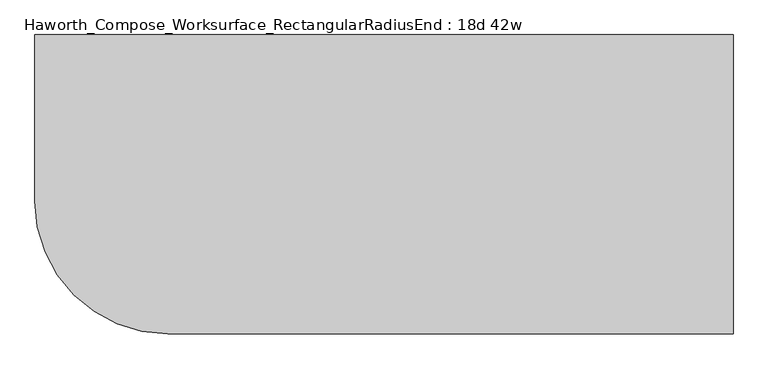
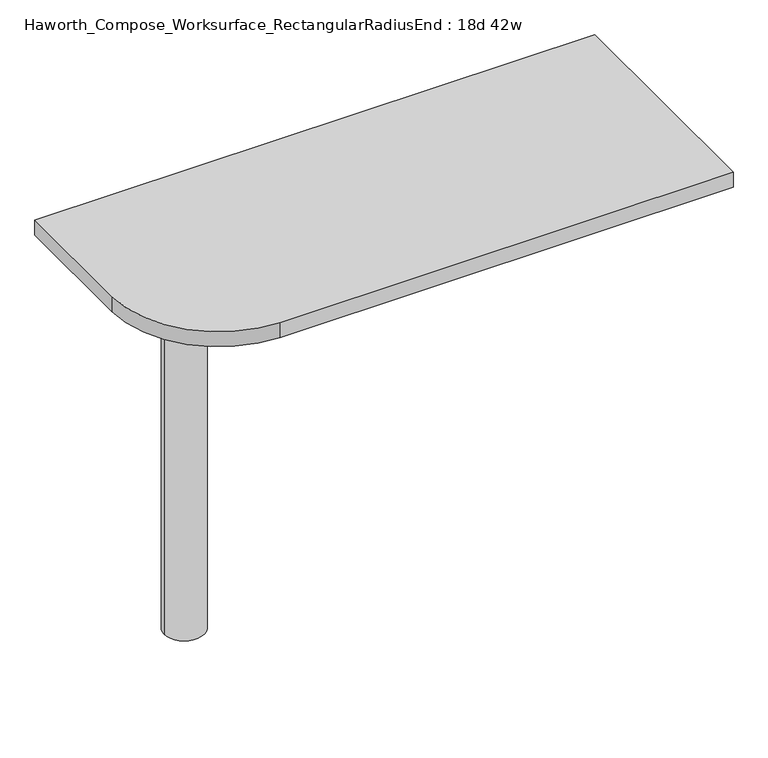
"""IFC4 building model written with IfcOpenShell, lengths in millimetres: furniture geometry, Haworth_Compose_Worksurface_RectangularRadiusEnd : 18d 42w."""

from ifc_helpers import new_model, si_unit, point, frame, frame_2d, origin, place, context, project, spatial, polyline, circle_curve, trimmed, segment, composite_curve, outline, extrude, source, transform, mapped, element, save
from ifc_brep_helpers import plane_surface, cylinder_surface, revolved_surface, advanced_brep


def haworth_compose_worksurface_rectangularradiusend_18d_42w_e1c40a76(model_context):
    return source(origin(), model_context, "Body", "SolidModel", [
        advanced_brep(
        [(527.84375, 228.6, 475.45625), (527.84375, 212.725, 475.45625), (527.84375, -177.8, 691.7192568), (527.84375, -177.8, 704.05625), (527.84375, 212.725, 704.05625), (527.84375, 228.6, 704.05625), (527.84375, 145.290072, 665.95625), (527.84375, 101.6355284, 665.95625), (527.84375, 98.9564235, 656.3705539), (527.84375, 190.6776173, 605.5776439), (527.84375, 200.025, 611.1756969), (527.84375, 200.025, 634.6860246), (527.84375, 198.2730055, 637.5242776), (527.84375, 148.3663437, 665.1613425), (530.225, 228.6, 475.45625), (530.225, 228.6, 704.05625), (530.225, 212.725, 704.05625), (530.225, 212.725, 706.4375), (530.225, -177.8, 706.4375), (530.225, -177.8, 691.7192568), (530.225, 212.725, 475.45625), (530.225, 145.290072, 665.95625), (530.225, 148.3663437, 665.1613425), (530.225, 198.2730055, 637.5242776), (530.225, 200.025, 634.6860246), (530.225, 200.025, 611.1756969), (530.225, 190.6776173, 605.5776439), (530.225, 98.9564235, 656.3705539), (530.225, 101.6355284, 665.95625), (488.95, -177.8, 706.4375), (488.95, -177.8, 704.05625), (488.95, 212.725, 704.05625), (488.95, 212.725, 706.4375)],
        [
            (0, 1),
            (1, 2),
            (2, 3),
            (3, 4),
            (4, 5),
            (5, 0),
            (6, 7),
            (7, 8, circle_curve(frame((527.84375, 101.6355284, 660.7890106), z_axis=(1.0, 0.0, 0.0), x_axis=(0.0, -1.0, 0.0)), 5.1672394)),
            (8, 9),
            (9, 10, circle_curve(frame((527.84375, 193.675, 611.1756969), z_axis=(1.0, 0.0, 0.0), x_axis=(0.0, -1.0, 0.0)), 6.35)),
            (10, 11),
            (11, 12, circle_curve(frame((527.84375, 196.85, 634.6860246), z_axis=(1.0, 0.0, 0.0), x_axis=(0.0, -1.0, 0.0)), 3.175)),
            (12, 13),
            (13, 6, circle_curve(frame((527.84375, 145.290072, 659.60625), z_axis=(1.0, 0.0, 0.0), x_axis=(0.0, -1.0, 0.0)), 6.35)),
            (14, 15),
            (15, 16),
            (16, 17),
            (17, 18),
            (18, 19),
            (19, 20),
            (20, 14),
            (21, 22, circle_curve(frame((530.225, 145.290072, 659.60625), z_axis=(-1.0, 0.0, 0.0), x_axis=(0.0, -1.0, 0.0)), 6.35)),
            (22, 23),
            (23, 24, circle_curve(frame((530.225, 196.85, 634.6860246), z_axis=(-1.0, 0.0, 0.0), x_axis=(0.0, -1.0, 0.0)), 3.175)),
            (24, 25),
            (25, 26, circle_curve(frame((530.225, 193.675, 611.1756969), z_axis=(-1.0, 0.0, 0.0), x_axis=(0.0, -1.0, 0.0)), 6.35)),
            (26, 27),
            (27, 28, circle_curve(frame((530.225, 101.6355284, 660.7890106), z_axis=(-1.0, 0.0, 0.0), x_axis=(0.0, -1.0, 0.0)), 5.1672394)),
            (28, 21),
            (4, 16),
            (15, 5),
            (14, 0),
            (20, 1),
            (19, 2),
            (18, 29),
            (29, 30),
            (30, 3),
            (6, 21),
            (28, 7),
            (9, 26),
            (25, 10),
            (24, 11),
            (23, 12),
            (27, 8),
            (31, 4),
            (30, 31),
            (32, 29),
            (17, 32),
            (31, 32),
            (22, 13),
        ],
        [
            plane_surface(frame((527.84375, 228.6, 475.45625), z_axis=(-1.0, 0.0, 0.0), x_axis=(0.0, 1.0, 0.0))),
            plane_surface(frame((530.225, 228.6, 475.45625), z_axis=(1.0, 0.0, 0.0), x_axis=(0.0, -1.0, 0.0))),
            plane_surface(frame((530.225, -177.8, 704.05625), z_axis=(0.0, 0.0, 1.0), x_axis=(-1.0, 0.0, 0.0))),
            plane_surface(frame((530.225, 228.6, 704.05625), z_axis=(0.0, 1.0, 0.0), x_axis=(-1.0, 0.0, 0.0))),
            plane_surface(frame((530.225, 228.6, 475.45625), z_axis=(0.0, 0.0, -1.0), x_axis=(-1.0, 0.0, 0.0))),
            plane_surface(frame((530.225, 212.725, 475.45625), z_axis=(0.0, -0.48445223513455843, -0.8748177135112952), x_axis=(-1.0, 0.0, 0.0))),
            plane_surface(frame((530.225, -177.8, 691.7192568), z_axis=(0.0, -1.0, 0.0), x_axis=(-1.0, 0.0, 0.0))),
            plane_surface(frame((530.225, 145.290072, 665.95625), z_axis=(0.0, 0.0, -1.0), x_axis=(-1.0, 0.0, 0.0))),
            revolved_surface(polyline([(527.84375, 187.32500000000002, 611.1756969), (530.225, 187.32500000000002, 611.1756969)]), (530.225, 193.675, 611.1756969), (-1.0, 0.0, 0.0)),
            plane_surface(frame((530.225, 200.025, 611.1756969), z_axis=(0.0, -1.0, 0.0), x_axis=(-1.0, 0.0, 0.0))),
            revolved_surface(polyline([(527.84375, 193.67499999999998, 634.6860246), (530.225, 193.67499999999998, 634.6860246)]), (530.225, 196.85, 634.6860246), (-1.0, 0.0, 0.0)),
            revolved_surface(polyline([(527.84375, 96.468289, 660.7890106), (530.225, 96.468289, 660.7890106)]), (530.225, 101.6355284, 660.7890106), (-1.0, 0.0, 0.0)),
            plane_surface(frame((530.225, 212.725, 704.05625), z_axis=(0.0, 0.0, -1.0), x_axis=(-1.0, 0.0, 0.0))),
            plane_surface(frame((530.225, 212.725, 706.4375), z_axis=(0.0, 0.0, 1.0), x_axis=(1.0, 0.0, 0.0))),
            plane_surface(frame((488.95, 212.725, 706.4375), z_axis=(0.0, 1.0, 0.0), x_axis=(0.0, 0.0, -1.0))),
            plane_surface(frame((488.95, -177.8, 706.4375), z_axis=(-1.0, 0.0, 0.0), x_axis=(0.0, 0.0, -1.0))),
            plane_surface(frame((530.225, 98.9564235, 656.3705539), z_axis=(0.0, 0.4844522351345583, 0.8748177135112953), x_axis=(-1.0, 0.0, 0.0))),
            plane_surface(frame((530.225, 198.2730055, 637.5242776), z_axis=(0.0, -0.4844522351345582, -0.8748177135112953), x_axis=(-1.0, 0.0, 0.0))),
            revolved_surface(polyline([(527.84375, 138.94007200000001, 659.60625), (530.225, 138.94007200000001, 659.60625)]), (530.225, 145.290072, 659.60625), (-1.0, 0.0, 0.0)),
        ],
        [
            (0, [[1, 2, 3, 4, 5, 6], [7, 8, 9, 10, 11, 12, 13, 14]]),
            (1, [[15, 16, 17, 18, 19, 20, 21], [22, 23, 24, 25, 26, 27, 28, 29]]),
            (2, [[-5, 30, -16, 31]]),
            (3, [[-31, -15, 32, -6]]),
            (4, [[-32, -21, 33, -1]]),
            (5, [[-33, -20, 34, -2]]),
            (6, [[-34, -19, 35, 36, 37, -3]]),
            (7, [[38, -29, 39, -7]]),
            (8, [[40, -26, 41, -10]]),
            (9, [[-41, -25, 42, -11]]),
            (10, [[-42, -24, 43, -12]]),
            (11, [[-39, -28, 44, -8]]),
            (12, [[45, -4, -37, 46]]),
            (13, [[47, -35, -18, 48]]),
            (14, [[-17, -30, -45, 49, -48]]),
            (15, [[-36, -47, -49, -46]]),
            (16, [[-44, -27, -40, -9]]),
            (17, [[-43, -23, 50, -13]]),
            (18, [[-50, -22, -38, -14]]),
        ],
    ),
        advanced_brep(
        [(-342.9, 0.0, 706.4375), (-419.1, 0.0, 706.4375), (-381.0, 0.0, 706.4375), (-342.9, 0.0, 0.0), (-419.1, 0.0, 0.0), (-381.0, 0.0, 0.0)],
        [
            (0, 1, circle_curve(frame((-381.0, 0.0, 706.4375), z_axis=(0.0, 0.0, 1.0), x_axis=(-1.0, 0.0, 0.0)), 38.1)),
            (1, 2),
            (2, 0),
            (1, 0, circle_curve(frame((-381.0, 0.0, 706.4375), z_axis=(0.0, 0.0, 1.0), x_axis=(-1.0, 0.0, 0.0)), 38.1)),
            (3, 4, circle_curve(frame((-381.0, 0.0, 0.0), z_axis=(0.0, 0.0, 1.0), x_axis=(-1.0, 0.0, 0.0)), 38.1)),
            (4, 1),
            (0, 3),
            (4, 3, circle_curve(frame((-381.0, 0.0, 0.0), z_axis=(0.0, 0.0, 1.0), x_axis=(-1.0, 0.0, 0.0)), 38.1)),
            (5, 4),
            (3, 5),
        ],
        [
            plane_surface(frame((-381.0, 0.0, 706.4375), z_axis=(0.0, 0.0, 1.0), x_axis=(-1.0, 0.0, 0.0))),
            cylinder_surface(frame((-381.0, 0.0, 889.623257), z_axis=(0.0, 0.0, -1.0), x_axis=(-1.0, 0.0, 0.0)), 38.1),
            plane_surface(frame((-381.0, 0.0, 0.0), z_axis=(0.0, 0.0, -1.0), x_axis=(-1.0, 0.0, 0.0))),
        ],
        [
            (0, [[1, 2, 3]]),
            (0, [[4, -3, -2]]),
            (1, [[5, 6, -1, 7]]),
            (1, [[8, -7, -4, -6]]),
            (2, [[9, -5, 10]]),
            (2, [[-10, -8, -9]]),
        ],
    ),
        extrude(outline(composite_curve([segment(polyline([(533.4, 228.6), (533.4, -228.6), (-330.2, -228.6)]), True, "CONTINUOUS"), segment(trimmed(circle_curve(frame_2d((-330.2, -25.4)), 203.2), [point((-330.2, -228.6))], [point((-533.4, -25.4))], False, "CARTESIAN"), True, "CONTINUOUS"), segment(polyline([(-533.4, -25.4), (-533.4, 228.6), (533.4, 228.6)]), True, "CONTINUOUS")], self_intersect=False)), frame((0.0, 0.0, 706.4375), z_axis=(0.0, 0.0, 1.0), x_axis=(1.0, 0.0, 0.0)), (0.0, 0.0, 1.0), 30.1625),
    ])


if __name__ == "__main__":
    model = new_model("IFC4")
    model_context = context("Model", 3, world=origin())
    ifc_project = project(units=[si_unit("LENGTHUNIT", "METRE", prefix="MILLI")], contexts=[model_context])
    site = spatial("IfcSite", under=ifc_project)
    building = spatial("IfcBuilding", under=site)
    placement = place(None, origin())
    haworth_compose_worksurface_rectangularradiusend_18d_42w_shape = haworth_compose_worksurface_rectangularradiusend_18d_42w_e1c40a76(model_context)
    element("IfcFurniture", 1, ObjectType="Haworth_Compose_Worksurface_RectangularRadiusEnd : 18d 42w", at=placement, inside=building, context=model_context, shape_type="MappedRepresentation", body=[
        mapped(haworth_compose_worksurface_rectangularradiusend_18d_42w_shape, transform((0.0, 0.0, 0.0), x_axis=(1.0, 0.0, 0.0), y_axis=(0.0, 1.0, 0.0), z_axis=(0.0, 0.0, 1.0))),
    ])
    save(model, "model.ifc")
